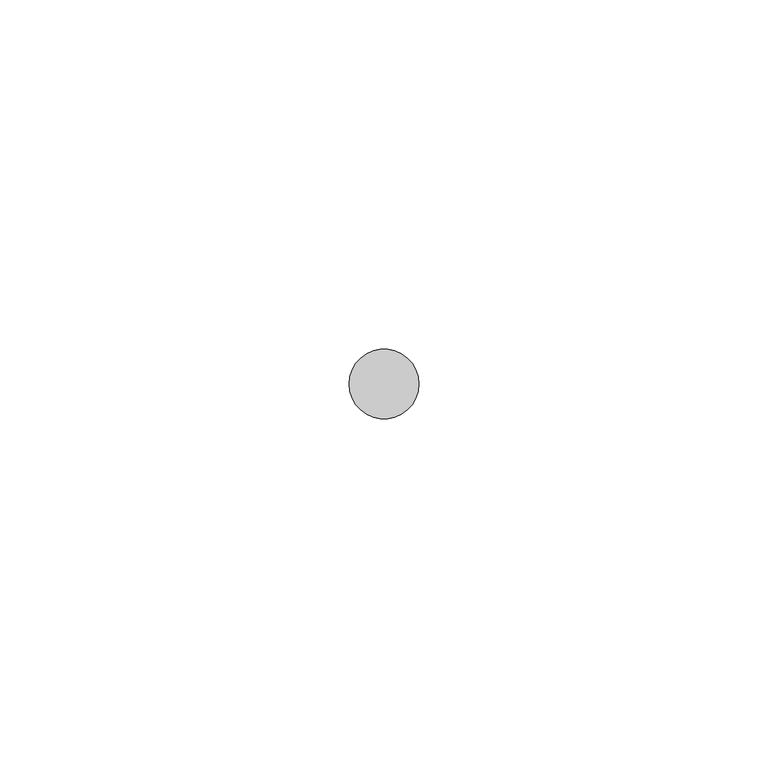
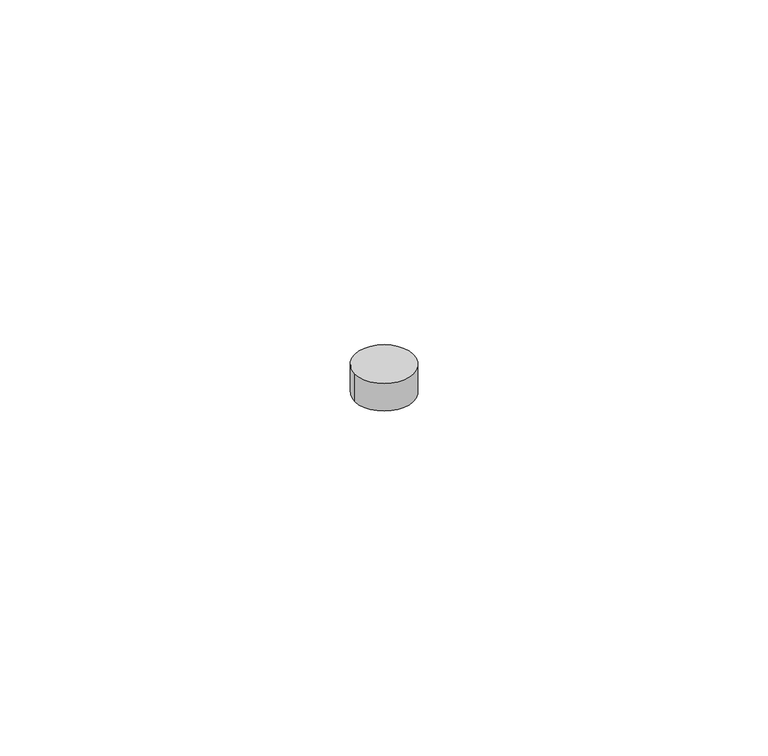
"""IFC4 building model written with IfcOpenShell, lengths in millimetres: proxy geometry."""

from ifc_helpers import new_model, si_unit, point, origin, origin_with_axes, origin_2d, place, context, project, spatial, circle_curve, trimmed, segment, composite_curve, outline, extrude, source, transform, mapped, element, save


def generic_models_19886ca7(model_context):
    return source(origin(), model_context, "Body", "SweptSolid", [
        extrude(outline(composite_curve([segment(trimmed(circle_curve(origin_2d(), 5.0), [point((-5.0, 0.0))], [point((5.0, 0.0))], False, "CARTESIAN"), True, "CONTINUOUS"), segment(trimmed(circle_curve(origin_2d(), 5.0), [point((5.0, 0.0))], [point((-5.0, 0.0))], False, "CARTESIAN"), True, "CONTINUOUS")], self_intersect=False)), origin_with_axes(), (0.0, 0.0, 1.0), 5.0),
    ])


if __name__ == "__main__":
    model = new_model("IFC4")
    model_context = context("Model", 3, world=origin())
    ifc_project = project(units=[si_unit("LENGTHUNIT", "METRE", prefix="MILLI")], contexts=[model_context])
    site = spatial("IfcSite", under=ifc_project)
    building = spatial("IfcBuilding", under=site)
    placement = place(None, origin())
    generic_models_shape = generic_models_19886ca7(model_context)
    element("IfcBuildingElementProxy", 1, Name="Generic Models", at=placement, inside=building, context=model_context, shape_type="MappedRepresentation", body=[
        mapped(generic_models_shape, transform((0.0, 0.0, 0.0), x_axis=(1.0, 0.0, 0.0), y_axis=(0.0, 1.0, 0.0), z_axis=(0.0, 0.0, 1.0))),
    ])
    save(model, "model.ifc")
